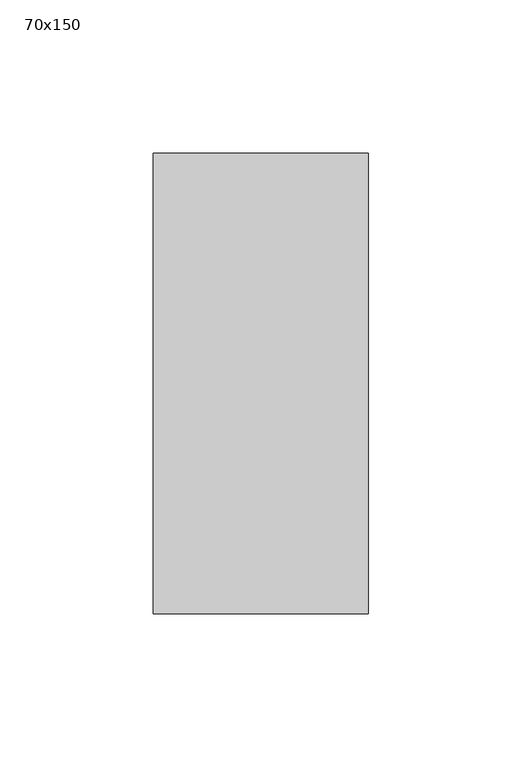
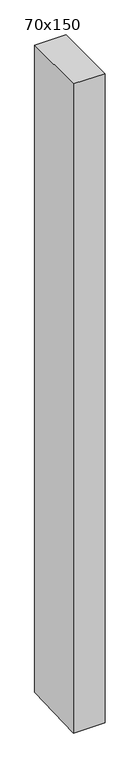
"""IFC4 building model written with IfcOpenShell, lengths in millimetres: member geometry, 70x150."""

from ifc_helpers import new_model, si_unit, frame, origin, place, context, project, spatial, polyline, outline, extrude, source, transform, mapped, element, save


def member_70x150_1ba157bf(model_context):
    return source(origin(), model_context, "Body", "SweptSolid", [
        extrude(outline(polyline([(-75.0, 0.0), (75.0, 0.0), (75.0, -1523.7804259), (-75.0, -1528.6925762), (-75.0, 0.0)])), frame((-35.0, 0.0, 0.0), z_axis=(1.0, 0.0, 0.0), x_axis=(0.0, 1.0, 0.0)), (0.0, 0.0, 1.0), 70.0),
    ])


if __name__ == "__main__":
    model = new_model("IFC4")
    model_context = context("Model", 3, world=origin())
    ifc_project = project(units=[si_unit("LENGTHUNIT", "METRE", prefix="MILLI")], contexts=[model_context])
    site = spatial("IfcSite", under=ifc_project)
    building = spatial("IfcBuilding", under=site)
    placement = place(None, origin())
    member_70x150_shape = member_70x150_1ba157bf(model_context)
    element("IfcMember", 1, ObjectType="70x150", at=placement, inside=building, context=model_context, shape_type="MappedRepresentation", body=[
        mapped(member_70x150_shape, transform((0.0, 0.0, 0.0), x_axis=(1.0, 0.0, 0.0), y_axis=(0.0, 1.0, 0.0), z_axis=(0.0, 0.0, 1.0))),
    ])
    save(model, "model.ifc")
